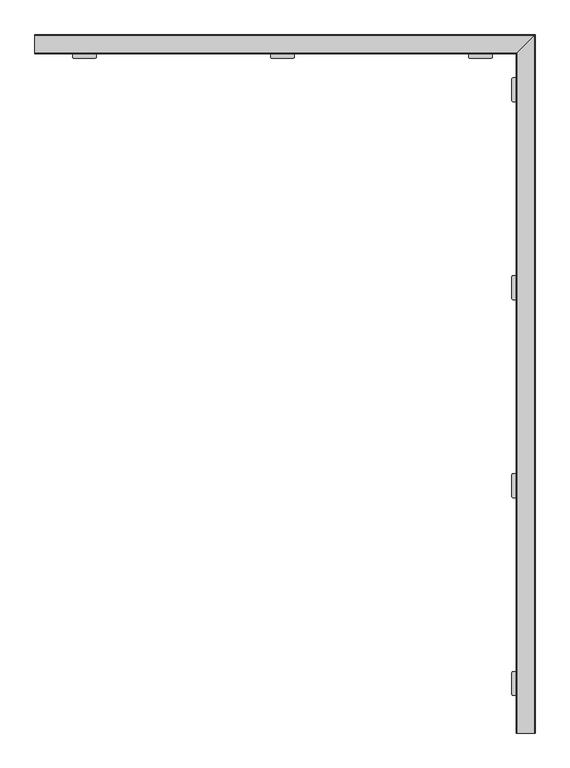
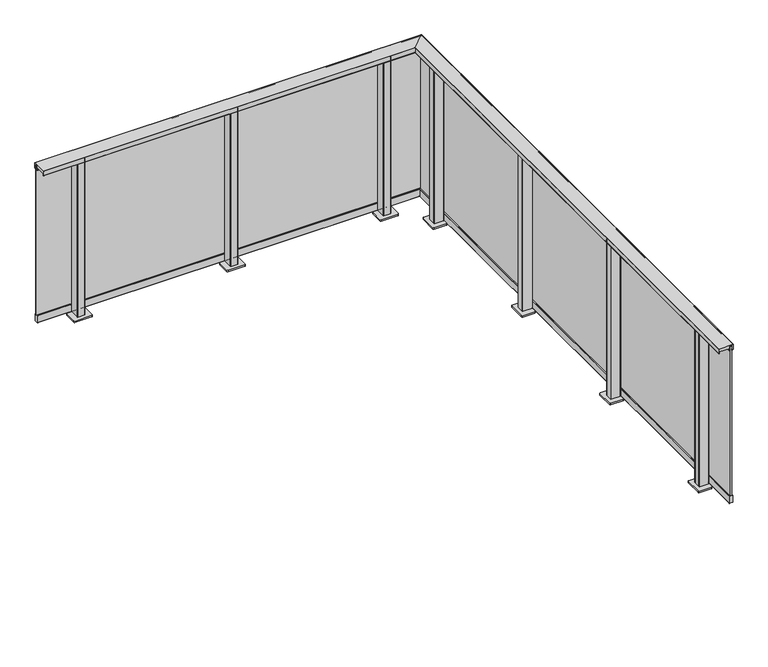
"""IFC4 building model written with IfcOpenShell, lengths in millimetres: railing geometry."""

from ifc_helpers import new_model, si_unit, point, frame, frame_2d, origin, origin_with_axes, place, context, project, spatial, polyline, circle_curve, ellipse_curve, trimmed, segment, composite_curve, outline, extrude, faceted_brep, source, transform, mapped, element, save
from ifc_brep_helpers import plane_surface, cylinder_surface, revolved_surface, advanced_brep


def railing_72ed6567(model_context):
    return source(origin(), model_context, "Body", "SolidModel", [
        advanced_brep(
        [(19323.9819967, -14629.5008183, 1100.0), (19323.4819967, -14629.5008183, 1099.5), (19323.4819967, -14629.5008183, 1068.5), (19323.9819967, -14629.5008183, 1068.0), (19325.4819967, -14629.5008183, 1068.0), (19325.4819967, -14629.5008183, 1081.0), (19391.4819967, -14629.5008183, 1081.0), (19391.4819967, -14629.5008183, 1068.0), (19394.2819967, -14629.5008183, 1068.0), (19394.2819967, -14629.5008183, 1069.2), (19393.4819967, -14629.5008183, 1069.2), (19393.4819967, -14629.5008183, 1097.5), (19393.9819967, -14629.5008183, 1098.0), (19412.9819967, -14629.5008183, 1098.0), (19413.4819967, -14629.5008183, 1097.5), (19413.4819967, -14629.5008183, 1069.2), (19412.6819967, -14629.5008183, 1069.2), (19412.6819967, -14629.5008183, 1068.0), (19416.9819967, -14629.5008183, 1068.0), (19417.4819967, -14629.5008183, 1068.5), (19417.4819967, -14629.5008183, 1099.5), (19416.9819967, -14629.5008183, 1100.0), (19323.9819967, -11196.5008183, 1100.0), (19323.4819967, -11197.0008183, 1099.5), (19323.4819967, -11197.0008183, 1068.5), (19323.9819967, -11196.5008183, 1068.0), (19325.4819967, -11195.0008183, 1068.0), (19325.4819967, -11195.0008183, 1081.0), (19391.4819967, -11129.0008183, 1081.0), (19391.4819967, -11129.0008183, 1068.0), (19394.2819967, -11126.2008183, 1068.0), (19394.2819967, -11126.2008183, 1069.2), (19393.4819967, -11127.0008183, 1069.2), (19393.4819967, -11127.0008183, 1097.5), (19393.9819967, -11126.5008183, 1098.0), (19412.9819967, -11107.5008183, 1098.0), (19413.4819967, -11107.0008183, 1097.5), (19413.4819967, -11107.0008183, 1069.2), (19412.6819967, -11107.8008183, 1069.2), (19412.6819967, -11107.8008183, 1068.0), (19416.9819967, -11103.5008183, 1068.0), (19417.4819967, -11103.0008183, 1068.5), (19417.4819967, -11103.0008183, 1099.5), (19416.9819967, -11103.5008183, 1100.0), (16890.9819967, -11196.5008183, 1100.0), (16890.9819967, -11103.5008183, 1100.0), (16890.9819967, -11103.0008183, 1099.5), (16890.9819967, -11103.0008183, 1068.5), (16890.9819967, -11103.5008183, 1068.0), (16890.9819967, -11107.8008183, 1068.0), (16890.9819967, -11107.8008183, 1069.2), (16890.9819967, -11107.0008183, 1069.2), (16890.9819967, -11107.0008183, 1097.5), (16890.9819967, -11107.5008183, 1098.0), (16890.9819967, -11126.5008183, 1098.0), (16890.9819967, -11127.0008183, 1097.5), (16890.9819967, -11127.0008183, 1069.2), (16890.9819967, -11126.2008183, 1069.2), (16890.9819967, -11126.2008183, 1068.0), (16890.9819967, -11129.0008183, 1068.0), (16890.9819967, -11129.0008183, 1081.0), (16890.9819967, -11195.0008183, 1081.0), (16890.9819967, -11195.0008183, 1068.0), (16890.9819967, -11196.5008183, 1068.0), (16890.9819967, -11197.0008183, 1068.5), (16890.9819967, -11197.0008183, 1099.5)],
        [
            (0, 1, circle_curve(frame((19323.9819967, -14629.5008183, 1099.5), z_axis=(0.0, -1.0, 0.0), x_axis=(1.0, 0.0, 0.0)), 0.5)),
            (1, 2),
            (2, 3, circle_curve(frame((19323.9819967, -14629.5008183, 1068.5), z_axis=(0.0, -1.0, 0.0), x_axis=(1.0, 0.0, 0.0)), 0.5)),
            (3, 4),
            (4, 5),
            (5, 6),
            (6, 7),
            (7, 8),
            (8, 9),
            (9, 10),
            (10, 11),
            (11, 12, circle_curve(frame((19393.9819967, -14629.5008183, 1097.5), z_axis=(0.0, 1.0, 0.0), x_axis=(1.0, 0.0, 0.0)), 0.5)),
            (12, 13),
            (13, 14, circle_curve(frame((19412.9819967, -14629.5008183, 1097.5), z_axis=(0.0, 1.0, 0.0), x_axis=(1.0, 0.0, 0.0)), 0.5)),
            (14, 15),
            (15, 16),
            (16, 17),
            (17, 18),
            (18, 19, circle_curve(frame((19416.9819967, -14629.5008183, 1068.5), z_axis=(0.0, -1.0, 0.0), x_axis=(1.0, 0.0, 0.0)), 0.5)),
            (19, 20),
            (20, 21, circle_curve(frame((19416.9819967, -14629.5008183, 1099.5), z_axis=(0.0, -1.0, 0.0), x_axis=(1.0, 0.0, 0.0)), 0.5)),
            (21, 0),
            (0, 22),
            (22, 23, ellipse_curve(frame((19323.9819967, -11196.5008183, 1099.5), z_axis=(0.7071067811865467, -0.7071067811865482, 0.0), x_axis=(-0.7071067811865482, -0.7071067811865469, 0.0)), 0.7071068, 0.5)),
            (23, 1),
            (23, 24),
            (24, 2),
            (24, 25, ellipse_curve(frame((19323.9819967, -11196.5008183, 1068.5), z_axis=(0.7071067811865467, -0.7071067811865482, 0.0), x_axis=(-0.7071067811865482, -0.7071067811865469, 0.0)), 0.7071068, 0.5)),
            (25, 3),
            (25, 26),
            (26, 4),
            (26, 27),
            (27, 5),
            (27, 28),
            (28, 6),
            (28, 29),
            (29, 7),
            (29, 30),
            (30, 8),
            (30, 31),
            (31, 9),
            (31, 32),
            (32, 10),
            (32, 33),
            (33, 11),
            (33, 34, ellipse_curve(frame((19393.9819967, -11126.5008183, 1097.5), z_axis=(-0.7071067811865467, 0.7071067811865482, 0.0), x_axis=(0.7071067811865482, 0.7071067811865469, 0.0)), 0.7071068, 0.5)),
            (34, 12),
            (34, 35),
            (35, 13),
            (35, 36, ellipse_curve(frame((19412.9819967, -11107.5008183, 1097.5), z_axis=(-0.7071067811865467, 0.7071067811865482, 0.0), x_axis=(0.7071067811865482, 0.7071067811865469, 0.0)), 0.7071068, 0.5)),
            (36, 14),
            (36, 37),
            (37, 15),
            (37, 38),
            (38, 16),
            (38, 39),
            (39, 17),
            (39, 40),
            (40, 18),
            (40, 41, ellipse_curve(frame((19416.9819967, -11103.5008183, 1068.5), z_axis=(0.7071067811865467, -0.7071067811865482, 0.0), x_axis=(-0.7071067811865482, -0.7071067811865469, 0.0)), 0.7071068, 0.5)),
            (41, 19),
            (41, 42),
            (42, 20),
            (42, 43, ellipse_curve(frame((19416.9819967, -11103.5008183, 1099.5), z_axis=(0.7071067811865467, -0.7071067811865482, 0.0), x_axis=(-0.7071067811865482, -0.7071067811865469, 0.0)), 0.7071068, 0.5)),
            (43, 21),
            (43, 22),
            (44, 45),
            (45, 46, circle_curve(frame((16890.9819967, -11103.5008183, 1099.5), z_axis=(-1.0, 0.0, 0.0), x_axis=(0.0, 1.0, 0.0)), 0.5)),
            (46, 47),
            (47, 48, circle_curve(frame((16890.9819967, -11103.5008183, 1068.5), z_axis=(-1.0, 0.0, 0.0), x_axis=(0.0, 1.0, 0.0)), 0.5)),
            (48, 49),
            (49, 50),
            (50, 51),
            (51, 52),
            (52, 53, circle_curve(frame((16890.9819967, -11107.5008183, 1097.5), z_axis=(1.0, 0.0, 0.0), x_axis=(0.0, 1.0, 0.0)), 0.5)),
            (53, 54),
            (54, 55, circle_curve(frame((16890.9819967, -11126.5008183, 1097.5), z_axis=(1.0, 0.0, 0.0), x_axis=(0.0, 1.0, 0.0)), 0.5)),
            (55, 56),
            (56, 57),
            (57, 58),
            (58, 59),
            (59, 60),
            (60, 61),
            (61, 62),
            (62, 63),
            (63, 64, circle_curve(frame((16890.9819967, -11196.5008183, 1068.5), z_axis=(-1.0, 0.0, 0.0), x_axis=(0.0, 1.0, 0.0)), 0.5)),
            (64, 65),
            (65, 44, circle_curve(frame((16890.9819967, -11196.5008183, 1099.5), z_axis=(-1.0, 0.0, 0.0), x_axis=(0.0, 1.0, 0.0)), 0.5)),
            (22, 44),
            (65, 23),
            (64, 24),
            (63, 25),
            (62, 26),
            (61, 27),
            (60, 28),
            (59, 29),
            (58, 30),
            (57, 31),
            (56, 32),
            (55, 33),
            (54, 34),
            (53, 35),
            (52, 36),
            (51, 37),
            (50, 38),
            (49, 39),
            (48, 40),
            (47, 41),
            (46, 42),
            (45, 43),
        ],
        [
            plane_surface(frame((19358.4819967, -14629.5008183, 1100.0), z_axis=(0.0, -1.0, 0.0), x_axis=(0.0, 0.0, 1.0))),
            cylinder_surface(frame((19323.9819967, -14629.5008183, 1099.5), z_axis=(0.0, -1.0, 0.0), x_axis=(1.0, 0.0, 0.0)), 0.5),
            plane_surface(frame((19323.4819967, -14629.5008183, 1099.5), z_axis=(-1.0, 0.0, 0.0), x_axis=(0.0, 1.0, 0.0))),
            cylinder_surface(frame((19323.9819967, -14629.5008183, 1068.5), z_axis=(0.0, -1.0, 0.0), x_axis=(1.0, 0.0, 0.0)), 0.5),
            plane_surface(frame((19323.9819967, -14629.5008183, 1068.0), z_axis=(0.0, 0.0, -1.0), x_axis=(0.0, 1.0, 0.0))),
            plane_surface(frame((19325.4819967, -14629.5008183, 1068.0), z_axis=(1.0, 0.0, 0.0), x_axis=(0.0, 1.0, 0.0))),
            plane_surface(frame((19325.4819967, -14629.5008183, 1081.0), z_axis=(0.0, 0.0, -1.0), x_axis=(0.0, 1.0, 0.0))),
            plane_surface(frame((19391.4819967, -14629.5008183, 1081.0), z_axis=(-1.0, 0.0, 0.0), x_axis=(0.0, 1.0, 0.0))),
            plane_surface(frame((19391.4819967, -14629.5008183, 1068.0), z_axis=(0.0, 0.0, -1.0), x_axis=(0.0, 1.0, 0.0))),
            plane_surface(frame((19394.2819967, -14629.5008183, 1068.0), z_axis=(1.0, 0.0, 0.0), x_axis=(0.0, 1.0, 0.0))),
            plane_surface(frame((19394.2819967, -14629.5008183, 1069.2), z_axis=(0.0, 0.0, 1.0), x_axis=(0.0, 1.0, 0.0))),
            plane_surface(frame((19393.4819967, -14629.5008183, 1069.2), z_axis=(1.0, 0.0, 0.0), x_axis=(0.0, 1.0, 0.0))),
            revolved_surface(polyline([(19394.4819967, -11126.000818286699, 1097.5), (19394.4819967, -14629.5008183, 1097.5)]), (19393.9819967, -14629.5008183, 1097.5), (0.0, 1.0, 0.0)),
            plane_surface(frame((19393.9819967, -14629.5008183, 1098.0), z_axis=(0.0, 0.0, -1.0), x_axis=(0.0, 1.0, 0.0))),
            revolved_surface(polyline([(19413.4819967, -11107.000818286699, 1097.5), (19413.4819967, -14629.5008183, 1097.5)]), (19412.9819967, -14629.5008183, 1097.5), (0.0, 1.0, 0.0)),
            plane_surface(frame((19413.4819967, -14629.5008183, 1097.5), z_axis=(-1.0, 0.0, 0.0), x_axis=(0.0, 1.0, 0.0))),
            plane_surface(frame((19413.4819967, -14629.5008183, 1069.2), z_axis=(0.0, 0.0, 1.0), x_axis=(0.0, 1.0, 0.0))),
            plane_surface(frame((19412.6819967, -14629.5008183, 1069.2), z_axis=(-1.0, 0.0, 0.0), x_axis=(0.0, 1.0, 0.0))),
            plane_surface(frame((19412.6819967, -14629.5008183, 1068.0), z_axis=(0.0, 0.0, -1.0), x_axis=(0.0, 1.0, 0.0))),
            cylinder_surface(frame((19416.9819967, -14629.5008183, 1068.5), z_axis=(0.0, -1.0, 0.0), x_axis=(1.0, 0.0, 0.0)), 0.5),
            plane_surface(frame((19417.4819967, -14629.5008183, 1068.5), z_axis=(1.0, 0.0, 0.0), x_axis=(0.0, 1.0, 0.0))),
            cylinder_surface(frame((19416.9819967, -14629.5008183, 1099.5), z_axis=(0.0, -1.0, 0.0), x_axis=(1.0, 0.0, 0.0)), 0.5),
            plane_surface(frame((19416.9819967, -14629.5008183, 1100.0), z_axis=(0.0, 0.0, 1.0), x_axis=(0.0, 1.0, 0.0))),
            plane_surface(frame((16890.9819967, -11162.0008183, 1100.0), z_axis=(-1.0, 0.0, 0.0), x_axis=(0.0, -1.0, 0.0))),
            cylinder_surface(frame((19358.4819967, -11196.5008183, 1099.5), z_axis=(1.0, 0.0, 0.0), x_axis=(0.0, 1.0, 0.0)), 0.5),
            plane_surface(frame((19323.4819967, -11197.0008183, 1099.5), z_axis=(0.0, -1.0, 0.0), x_axis=(-1.0, 0.0, 0.0))),
            cylinder_surface(frame((19358.4819967, -11196.5008183, 1068.5), z_axis=(1.0, 0.0, 0.0), x_axis=(0.0, 1.0, 0.0)), 0.5),
            plane_surface(frame((19323.9819967, -11196.5008183, 1068.0), z_axis=(0.0, 0.0, -1.0), x_axis=(-1.0, 0.0, 0.0))),
            plane_surface(frame((19325.4819967, -11195.0008183, 1068.0), z_axis=(0.0, 1.0, 0.0), x_axis=(-1.0, 0.0, 0.0))),
            plane_surface(frame((19325.4819967, -11195.0008183, 1081.0), z_axis=(0.0, 0.0, -1.0), x_axis=(-1.0, 0.0, 0.0))),
            plane_surface(frame((19391.4819967, -11129.0008183, 1081.0), z_axis=(0.0, -1.0, 0.0), x_axis=(-1.0, 0.0, 0.0))),
            plane_surface(frame((19391.4819967, -11129.0008183, 1068.0), z_axis=(0.0, 0.0, -1.0), x_axis=(-1.0, 0.0, 0.0))),
            plane_surface(frame((19394.2819967, -11126.2008183, 1068.0), z_axis=(0.0, 1.0, 0.0), x_axis=(-1.0, 0.0, 0.0))),
            plane_surface(frame((19394.2819967, -11126.2008183, 1069.2), z_axis=(0.0, 0.0, 1.0), x_axis=(-1.0, 0.0, 0.0))),
            plane_surface(frame((19393.4819967, -11127.0008183, 1069.2), z_axis=(0.0, 1.0, 0.0), x_axis=(-1.0, 0.0, 0.0))),
            revolved_surface(polyline([(16890.9819967, -11126.0008183, 1097.5), (19394.481996713304, -11126.0008183, 1097.5)]), (19358.4819967, -11126.5008183, 1097.5), (-1.0, 0.0, 0.0)),
            plane_surface(frame((19393.9819967, -11126.5008183, 1098.0), z_axis=(0.0, 0.0, -1.0), x_axis=(-1.0, 0.0, 0.0))),
            revolved_surface(polyline([(16890.9819967, -11107.0008183, 1097.5), (19413.481996713304, -11107.0008183, 1097.5)]), (19358.4819967, -11107.5008183, 1097.5), (-1.0, 0.0, 0.0)),
            plane_surface(frame((19413.4819967, -11107.0008183, 1097.5), z_axis=(0.0, -1.0, 0.0), x_axis=(-1.0, 0.0, 0.0))),
            plane_surface(frame((19413.4819967, -11107.0008183, 1069.2), z_axis=(0.0, 0.0, 1.0), x_axis=(-1.0, 0.0, 0.0))),
            plane_surface(frame((19412.6819967, -11107.8008183, 1069.2), z_axis=(0.0, -1.0, 0.0), x_axis=(-1.0, 0.0, 0.0))),
            plane_surface(frame((19412.6819967, -11107.8008183, 1068.0), z_axis=(0.0, 0.0, -1.0), x_axis=(-1.0, 0.0, 0.0))),
            cylinder_surface(frame((19358.4819967, -11103.5008183, 1068.5), z_axis=(1.0, 0.0, 0.0), x_axis=(0.0, 1.0, 0.0)), 0.5),
            plane_surface(frame((19417.4819967, -11103.0008183, 1068.5), z_axis=(0.0, 1.0, 0.0), x_axis=(-1.0, 0.0, 0.0))),
            cylinder_surface(frame((19358.4819967, -11103.5008183, 1099.5), z_axis=(1.0, 0.0, 0.0), x_axis=(0.0, 1.0, 0.0)), 0.5),
            plane_surface(frame((19416.9819967, -11103.5008183, 1100.0), z_axis=(0.0, 0.0, 1.0), x_axis=(-1.0, 0.0, 0.0))),
        ],
        [
            (0, [[1, 2, 3, 4, 5, 6, 7, 8, 9, 10, 11, 12, 13, 14, 15, 16, 17, 18, 19, 20, 21, 22]]),
            (1, [[-1, 23, 24, 25]]),
            (2, [[-2, -25, 26, 27]]),
            (3, [[-3, -27, 28, 29]]),
            (4, [[-4, -29, 30, 31]]),
            (5, [[-5, -31, 32, 33]]),
            (6, [[-6, -33, 34, 35]]),
            (7, [[-7, -35, 36, 37]]),
            (8, [[-8, -37, 38, 39]]),
            (9, [[-9, -39, 40, 41]]),
            (10, [[-10, -41, 42, 43]]),
            (11, [[-11, -43, 44, 45]]),
            (12, [[-12, -45, 46, 47]]),
            (13, [[-13, -47, 48, 49]]),
            (14, [[-14, -49, 50, 51]]),
            (15, [[-15, -51, 52, 53]]),
            (16, [[-16, -53, 54, 55]]),
            (17, [[-17, -55, 56, 57]]),
            (18, [[-18, -57, 58, 59]]),
            (19, [[-19, -59, 60, 61]]),
            (20, [[-20, -61, 62, 63]]),
            (21, [[-21, -63, 64, 65]]),
            (22, [[-22, -65, 66, -23]]),
            (23, [[67, 68, 69, 70, 71, 72, 73, 74, 75, 76, 77, 78, 79, 80, 81, 82, 83, 84, 85, 86, 87, 88]]),
            (24, [[-24, 89, -88, 90]]),
            (25, [[-26, -90, -87, 91]]),
            (26, [[-28, -91, -86, 92]]),
            (27, [[-30, -92, -85, 93]]),
            (28, [[-32, -93, -84, 94]]),
            (29, [[-34, -94, -83, 95]]),
            (30, [[-36, -95, -82, 96]]),
            (31, [[-38, -96, -81, 97]]),
            (32, [[-40, -97, -80, 98]]),
            (33, [[-42, -98, -79, 99]]),
            (34, [[-44, -99, -78, 100]]),
            (35, [[-46, -100, -77, 101]]),
            (36, [[-48, -101, -76, 102]]),
            (37, [[-50, -102, -75, 103]]),
            (38, [[-52, -103, -74, 104]]),
            (39, [[-54, -104, -73, 105]]),
            (40, [[-56, -105, -72, 106]]),
            (41, [[-58, -106, -71, 107]]),
            (42, [[-60, -107, -70, 108]]),
            (43, [[-62, -108, -69, 109]]),
            (44, [[-64, -109, -68, 110]]),
            (45, [[-66, -110, -67, -89]]),
        ],
    ),
        faceted_brep([(19407.4819967, -14629.5008183, 1090.0), (19399.4819967, -14629.5008183, 1090.0), (19399.4819967, -14629.5008183, 60.0), (19407.4819967, -14629.5008183, 60.0), (19407.4819967, -11113.0008183, 1090.0), (19399.4819967, -11121.0008183, 1090.0), (19399.4819967, -11121.0008183, 60.0), (19407.4819967, -11113.0008183, 60.0), (16890.9819967, -11113.0008183, 1090.0), (16890.9819967, -11113.0008183, 60.0), (16890.9819967, -11121.0008183, 60.0), (16890.9819967, -11121.0008183, 1090.0)], [[[0, 1, 2, 3]], [[1, 0, 4, 5]], [[2, 1, 5, 6]], [[3, 2, 6, 7]], [[0, 3, 7, 4]], [[8, 9, 10, 11]], [[5, 4, 8, 11]], [[6, 5, 11, 10]], [[7, 6, 10, 9]], [[4, 7, 9, 8]]]),
        faceted_brep([(19394.1692541, -14629.5008183, 1065.2160621), (19393.1441664, -14629.5008183, 1065.2160621), (19393.1441664, -14629.5008183, 1063.6627783), (19399.4819967, -14629.5008183, 1061.8454347), (19399.4819967, -14629.5008183, 1072.0), (19394.1692541, -14629.5008183, 1074.1464874), (19394.1692541, -11126.313561, 1065.2160621), (19393.1441664, -11127.3386487, 1065.2160621), (19393.1441664, -11127.3386487, 1063.6627783), (19399.4819967, -11121.0008183, 1061.8454347), (19399.4819967, -11121.0008183, 1072.0), (19394.1692541, -11126.313561, 1074.1464874), (16890.9819967, -11126.313561, 1065.2160621), (16890.9819967, -11126.313561, 1074.1464874), (16890.9819967, -11121.0008183, 1072.0), (16890.9819967, -11121.0008183, 1061.8454347), (16890.9819967, -11127.3386487, 1063.6627783), (16890.9819967, -11127.3386487, 1065.2160621)], [[[0, 1, 2, 3, 4, 5]], [[1, 0, 6, 7]], [[2, 1, 7, 8]], [[3, 2, 8, 9]], [[4, 3, 9, 10]], [[5, 4, 10, 11]], [[0, 5, 11, 6]], [[12, 13, 14, 15, 16, 17]], [[7, 6, 12, 17]], [[8, 7, 17, 16]], [[9, 8, 16, 15]], [[10, 9, 15, 14]], [[11, 10, 14, 13]], [[6, 11, 13, 12]]]),
        faceted_brep([(19412.7947394, -14629.5008183, 1065.2160621), (19412.7947394, -14629.5008183, 1074.1464874), (19407.4819967, -14629.5008183, 1072.0), (19407.4819967, -14629.5008183, 1061.8454347), (19413.8198271, -14629.5008183, 1063.6627783), (19413.8198271, -14629.5008183, 1065.2160621), (19412.7947394, -11107.6880757, 1065.2160621), (19412.7947394, -11107.6880757, 1074.1464874), (19407.4819967, -11113.0008183, 1072.0), (19407.4819967, -11113.0008183, 1061.8454347), (19413.8198271, -11106.662988, 1063.6627783), (19413.8198271, -11106.662988, 1065.2160621), (16890.9819967, -11107.6880757, 1065.2160621), (16890.9819967, -11106.662988, 1065.2160621), (16890.9819967, -11106.662988, 1063.6627783), (16890.9819967, -11113.0008183, 1061.8454347), (16890.9819967, -11113.0008183, 1072.0), (16890.9819967, -11107.6880757, 1074.1464874)], [[[0, 1, 2, 3, 4, 5]], [[1, 0, 6, 7]], [[2, 1, 7, 8]], [[3, 2, 8, 9]], [[4, 3, 9, 10]], [[5, 4, 10, 11]], [[0, 5, 11, 6]], [[12, 13, 14, 15, 16, 17]], [[7, 6, 12, 17]], [[8, 7, 17, 16]], [[9, 8, 16, 15]], [[10, 9, 15, 14]], [[11, 10, 14, 13]], [[6, 11, 13, 12]]]),
        advanced_brep(
        [(19414.9819967, -14629.5008183, 10.0), (19415.4819967, -14629.5008183, 10.5), (19415.4819967, -14629.5008183, 59.5), (19414.9819967, -14629.5008183, 60.0), (19391.9819967, -14629.5008183, 60.0), (19391.4819967, -14629.5008183, 59.5), (19391.4819967, -14629.5008183, 10.5), (19391.9819967, -14629.5008183, 10.0), (19414.9819967, -11105.5008183, 10.0), (19415.4819967, -11105.0008183, 10.5), (19415.4819967, -11105.0008183, 59.5), (19414.9819967, -11105.5008183, 60.0), (19391.9819967, -11128.5008183, 60.0), (19391.4819967, -11129.0008183, 59.5), (19391.4819967, -11129.0008183, 10.5), (19391.9819967, -11128.5008183, 10.0), (16890.9819967, -11105.5008183, 10.0), (16890.9819967, -11128.5008183, 10.0), (16890.9819967, -11129.0008183, 10.5), (16890.9819967, -11129.0008183, 59.5), (16890.9819967, -11128.5008183, 60.0), (16890.9819967, -11105.5008183, 60.0), (16890.9819967, -11105.0008183, 59.5), (16890.9819967, -11105.0008183, 10.5)],
        [
            (0, 1, circle_curve(frame((19414.9819967, -14629.5008183, 10.5), z_axis=(0.0, -1.0, 0.0), x_axis=(1.0, 0.0, 0.0)), 0.5)),
            (1, 2),
            (2, 3, circle_curve(frame((19414.9819967, -14629.5008183, 59.5), z_axis=(0.0, -1.0, 0.0), x_axis=(1.0, 0.0, 0.0)), 0.5)),
            (3, 4),
            (4, 5, circle_curve(frame((19391.9819967, -14629.5008183, 59.5), z_axis=(0.0, -1.0, 0.0), x_axis=(1.0, 0.0, 0.0)), 0.5)),
            (5, 6),
            (6, 7, circle_curve(frame((19391.9819967, -14629.5008183, 10.5), z_axis=(0.0, -1.0, 0.0), x_axis=(1.0, 0.0, 0.0)), 0.5)),
            (7, 0),
            (0, 8),
            (8, 9, ellipse_curve(frame((19414.9819967, -11105.5008183, 10.5), z_axis=(0.7071067811865467, -0.7071067811865482, 0.0), x_axis=(-0.7071067811865482, -0.7071067811865469, 0.0)), 0.7071068, 0.5)),
            (9, 1),
            (9, 10),
            (10, 2),
            (10, 11, ellipse_curve(frame((19414.9819967, -11105.5008183, 59.5), z_axis=(0.7071067811865467, -0.7071067811865482, 0.0), x_axis=(-0.7071067811865482, -0.7071067811865469, 0.0)), 0.7071068, 0.5)),
            (11, 3),
            (11, 12),
            (12, 4),
            (12, 13, ellipse_curve(frame((19391.9819967, -11128.5008183, 59.5), z_axis=(0.7071067811865467, -0.7071067811865482, 0.0), x_axis=(-0.7071067811865482, -0.7071067811865469, 0.0)), 0.7071068, 0.5)),
            (13, 5),
            (13, 14),
            (14, 6),
            (14, 15, ellipse_curve(frame((19391.9819967, -11128.5008183, 10.5), z_axis=(0.7071067811865467, -0.7071067811865482, 0.0), x_axis=(-0.7071067811865482, -0.7071067811865469, 0.0)), 0.7071068, 0.5)),
            (15, 7),
            (15, 8),
            (16, 17),
            (17, 18, circle_curve(frame((16890.9819967, -11128.5008183, 10.5), z_axis=(-1.0, 0.0, 0.0), x_axis=(0.0, 1.0, 0.0)), 0.5)),
            (18, 19),
            (19, 20, circle_curve(frame((16890.9819967, -11128.5008183, 59.5), z_axis=(-1.0, 0.0, 0.0), x_axis=(0.0, 1.0, 0.0)), 0.5)),
            (20, 21),
            (21, 22, circle_curve(frame((16890.9819967, -11105.5008183, 59.5), z_axis=(-1.0, 0.0, 0.0), x_axis=(0.0, 1.0, 0.0)), 0.5)),
            (22, 23),
            (23, 16, circle_curve(frame((16890.9819967, -11105.5008183, 10.5), z_axis=(-1.0, 0.0, 0.0), x_axis=(0.0, 1.0, 0.0)), 0.5)),
            (8, 16),
            (23, 9),
            (22, 10),
            (21, 11),
            (20, 12),
            (19, 13),
            (18, 14),
            (17, 15),
        ],
        [
            plane_surface(frame((19403.4819967, -14629.5008183, 10.0), z_axis=(0.0, -1.0, 0.0), x_axis=(0.0, 0.0, 1.0))),
            cylinder_surface(frame((19414.9819967, -14629.5008183, 10.5), z_axis=(0.0, -1.0, 0.0), x_axis=(1.0, 0.0, 0.0)), 0.5),
            plane_surface(frame((19415.4819967, -14629.5008183, 10.5), z_axis=(1.0, 0.0, 0.0), x_axis=(0.0, 1.0, 0.0))),
            cylinder_surface(frame((19414.9819967, -14629.5008183, 59.5), z_axis=(0.0, -1.0, 0.0), x_axis=(1.0, 0.0, 0.0)), 0.5),
            plane_surface(frame((19414.9819967, -14629.5008183, 60.0), z_axis=(0.0, 0.0, 1.0), x_axis=(0.0, 1.0, 0.0))),
            cylinder_surface(frame((19391.9819967, -14629.5008183, 59.5), z_axis=(0.0, -1.0, 0.0), x_axis=(1.0, 0.0, 0.0)), 0.5),
            plane_surface(frame((19391.4819967, -14629.5008183, 59.5), z_axis=(-1.0, 0.0, 0.0), x_axis=(0.0, 1.0, 0.0))),
            cylinder_surface(frame((19391.9819967, -14629.5008183, 10.5), z_axis=(0.0, -1.0, 0.0), x_axis=(1.0, 0.0, 0.0)), 0.5),
            plane_surface(frame((19391.9819967, -14629.5008183, 10.0), z_axis=(0.0, 0.0, -1.0), x_axis=(0.0, 1.0, 0.0))),
            plane_surface(frame((16890.9819967, -11117.0008183, 10.0), z_axis=(-1.0, 0.0, 0.0), x_axis=(0.0, -1.0, 0.0))),
            cylinder_surface(frame((19403.4819967, -11105.5008183, 10.5), z_axis=(1.0, 0.0, 0.0), x_axis=(0.0, 1.0, 0.0)), 0.5),
            plane_surface(frame((19415.4819967, -11105.0008183, 10.5), z_axis=(0.0, 1.0, 0.0), x_axis=(-1.0, 0.0, 0.0))),
            cylinder_surface(frame((19403.4819967, -11105.5008183, 59.5), z_axis=(1.0, 0.0, 0.0), x_axis=(0.0, 1.0, 0.0)), 0.5),
            plane_surface(frame((19414.9819967, -11105.5008183, 60.0), z_axis=(0.0, 0.0, 1.0), x_axis=(-1.0, 0.0, 0.0))),
            cylinder_surface(frame((19403.4819967, -11128.5008183, 59.5), z_axis=(1.0, 0.0, 0.0), x_axis=(0.0, 1.0, 0.0)), 0.5),
            plane_surface(frame((19391.4819967, -11129.0008183, 59.5), z_axis=(0.0, -1.0, 0.0), x_axis=(-1.0, 0.0, 0.0))),
            cylinder_surface(frame((19403.4819967, -11128.5008183, 10.5), z_axis=(1.0, 0.0, 0.0), x_axis=(0.0, 1.0, 0.0)), 0.5),
            plane_surface(frame((19391.9819967, -11128.5008183, 10.0), z_axis=(0.0, 0.0, -1.0), x_axis=(-1.0, 0.0, 0.0))),
        ],
        [
            (0, [[1, 2, 3, 4, 5, 6, 7, 8]]),
            (1, [[-1, 9, 10, 11]]),
            (2, [[-2, -11, 12, 13]]),
            (3, [[-3, -13, 14, 15]]),
            (4, [[-4, -15, 16, 17]]),
            (5, [[-5, -17, 18, 19]]),
            (6, [[-6, -19, 20, 21]]),
            (7, [[-7, -21, 22, 23]]),
            (8, [[-8, -23, 24, -9]]),
            (9, [[25, 26, 27, 28, 29, 30, 31, 32]]),
            (10, [[-10, 33, -32, 34]]),
            (11, [[-12, -34, -31, 35]]),
            (12, [[-14, -35, -30, 36]]),
            (13, [[-16, -36, -29, 37]]),
            (14, [[-18, -37, -28, 38]]),
            (15, [[-20, -38, -27, 39]]),
            (16, [[-22, -39, -26, 40]]),
            (17, [[-24, -40, -25, -33]]),
        ],
    ),
        extrude(outline(composite_curve([segment(trimmed(circle_curve(frame_2d((17163.5245384, -11192.0008183)), 2.5), [point((17166.0245384, -11192.0008183))], [point((17163.5245384, -11194.5008183))], False, "CARTESIAN"), True, "CONTINUOUS"), segment(polyline([(17163.5245384, -11194.5008183), (17118.5245384, -11194.5008183)]), True, "CONTINUOUS"), segment(trimmed(circle_curve(frame_2d((17118.5245384, -11192.0008183)), 2.5), [point((17118.5245384, -11194.5008183))], [point((17116.0245384, -11192.0008183))], False, "CARTESIAN"), True, "CONTINUOUS"), segment(polyline([(17116.0245384, -11192.0008183), (17116.0245384, -11132.0008183)]), True, "CONTINUOUS"), segment(trimmed(circle_curve(frame_2d((17118.5245384, -11132.0008183)), 2.5), [point((17116.0245384, -11132.0008183))], [point((17118.5245384, -11129.5008183))], False, "CARTESIAN"), True, "CONTINUOUS"), segment(polyline([(17118.5245384, -11129.5008183), (17163.5245384, -11129.5008183)]), True, "CONTINUOUS"), segment(trimmed(circle_curve(frame_2d((17163.5245384, -11132.0008183)), 2.5), [point((17163.5245384, -11129.5008183))], [point((17166.0245384, -11132.0008183))], False, "CARTESIAN"), True, "CONTINUOUS"), segment(polyline([(17166.0245384, -11132.0008183), (17166.0245384, -11192.0008183)]), True, "CONTINUOUS")], self_intersect=False)), frame((0.0, 0.0, 10.0), z_axis=(0.0, 0.0, 1.0), x_axis=(1.0, 0.0, 0.0)), (0.0, 0.0, 1.0), 1081.0),
        extrude(outline(composite_curve([segment(trimmed(circle_curve(frame_2d((17195.9819967, -11214.6061483)), 5.0), [point((17200.9819967, -11214.6061483))], [point((17195.9819967, -11219.6061483))], False, "CARTESIAN"), True, "CONTINUOUS"), segment(polyline([(17195.9819967, -11219.6061483), (17086.1755136, -11219.6061483)]), True, "CONTINUOUS"), segment(trimmed(circle_curve(frame_2d((17086.1755136, -11214.6061483)), 5.0), [point((17086.1755136, -11219.6061483))], [point((17081.1755136, -11214.6061483))], False, "CARTESIAN"), True, "CONTINUOUS"), segment(polyline([(17081.1755136, -11214.6061483), (17081.1755136, -11134.5008183)]), True, "CONTINUOUS"), segment(trimmed(circle_curve(frame_2d((17086.1755136, -11134.5008183)), 5.0), [point((17081.1755136, -11134.5008183))], [point((17086.1755136, -11129.5008183))], False, "CARTESIAN"), True, "CONTINUOUS"), segment(polyline([(17086.1755136, -11129.5008183), (17195.9819967, -11129.5008183)]), True, "CONTINUOUS"), segment(trimmed(circle_curve(frame_2d((17195.9819967, -11134.5008183)), 5.0), [point((17195.9819967, -11129.5008183))], [point((17200.9819967, -11134.5008183))], False, "CARTESIAN"), True, "CONTINUOUS"), segment(polyline([(17200.9819967, -11134.5008183), (17200.9819967, -11214.6061483)]), True, "CONTINUOUS")], self_intersect=False)), origin_with_axes(), (0.0, 0.0, 1.0), 10.0),
        extrude(outline(composite_curve([segment(trimmed(circle_curve(frame_2d((18163.5245384, -11192.0008183)), 2.5), [point((18166.0245384, -11192.0008183))], [point((18163.5245384, -11194.5008183))], False, "CARTESIAN"), True, "CONTINUOUS"), segment(polyline([(18163.5245384, -11194.5008183), (18118.5245384, -11194.5008183)]), True, "CONTINUOUS"), segment(trimmed(circle_curve(frame_2d((18118.5245384, -11192.0008183)), 2.5), [point((18118.5245384, -11194.5008183))], [point((18116.0245384, -11192.0008183))], False, "CARTESIAN"), True, "CONTINUOUS"), segment(polyline([(18116.0245384, -11192.0008183), (18116.0245384, -11132.0008183)]), True, "CONTINUOUS"), segment(trimmed(circle_curve(frame_2d((18118.5245384, -11132.0008183)), 2.5), [point((18116.0245384, -11132.0008183))], [point((18118.5245384, -11129.5008183))], False, "CARTESIAN"), True, "CONTINUOUS"), segment(polyline([(18118.5245384, -11129.5008183), (18163.5245384, -11129.5008183)]), True, "CONTINUOUS"), segment(trimmed(circle_curve(frame_2d((18163.5245384, -11132.0008183)), 2.5), [point((18163.5245384, -11129.5008183))], [point((18166.0245384, -11132.0008183))], False, "CARTESIAN"), True, "CONTINUOUS"), segment(polyline([(18166.0245384, -11132.0008183), (18166.0245384, -11192.0008183)]), True, "CONTINUOUS")], self_intersect=False)), frame((0.0, 0.0, 10.0), z_axis=(0.0, 0.0, 1.0), x_axis=(1.0, 0.0, 0.0)), (0.0, 0.0, 1.0), 1081.0),
        extrude(outline(composite_curve([segment(trimmed(circle_curve(frame_2d((18195.9819967, -11214.6061483)), 5.0), [point((18200.9819967, -11214.6061483))], [point((18195.9819967, -11219.6061483))], False, "CARTESIAN"), True, "CONTINUOUS"), segment(polyline([(18195.9819967, -11219.6061483), (18086.1755136, -11219.6061483)]), True, "CONTINUOUS"), segment(trimmed(circle_curve(frame_2d((18086.1755136, -11214.6061483)), 5.0), [point((18086.1755136, -11219.6061483))], [point((18081.1755136, -11214.6061483))], False, "CARTESIAN"), True, "CONTINUOUS"), segment(polyline([(18081.1755136, -11214.6061483), (18081.1755136, -11134.5008183)]), True, "CONTINUOUS"), segment(trimmed(circle_curve(frame_2d((18086.1755136, -11134.5008183)), 5.0), [point((18081.1755136, -11134.5008183))], [point((18086.1755136, -11129.5008183))], False, "CARTESIAN"), True, "CONTINUOUS"), segment(polyline([(18086.1755136, -11129.5008183), (18195.9819967, -11129.5008183)]), True, "CONTINUOUS"), segment(trimmed(circle_curve(frame_2d((18195.9819967, -11134.5008183)), 5.0), [point((18195.9819967, -11129.5008183))], [point((18200.9819967, -11134.5008183))], False, "CARTESIAN"), True, "CONTINUOUS"), segment(polyline([(18200.9819967, -11134.5008183), (18200.9819967, -11214.6061483)]), True, "CONTINUOUS")], self_intersect=False)), origin_with_axes(), (0.0, 0.0, 1.0), 10.0),
        extrude(outline(composite_curve([segment(trimmed(circle_curve(frame_2d((19163.5245384, -11192.0008183)), 2.5), [point((19166.0245384, -11192.0008183))], [point((19163.5245384, -11194.5008183))], False, "CARTESIAN"), True, "CONTINUOUS"), segment(polyline([(19163.5245384, -11194.5008183), (19118.5245384, -11194.5008183)]), True, "CONTINUOUS"), segment(trimmed(circle_curve(frame_2d((19118.5245384, -11192.0008183)), 2.5), [point((19118.5245384, -11194.5008183))], [point((19116.0245384, -11192.0008183))], False, "CARTESIAN"), True, "CONTINUOUS"), segment(polyline([(19116.0245384, -11192.0008183), (19116.0245384, -11132.0008183)]), True, "CONTINUOUS"), segment(trimmed(circle_curve(frame_2d((19118.5245384, -11132.0008183)), 2.5), [point((19116.0245384, -11132.0008183))], [point((19118.5245384, -11129.5008183))], False, "CARTESIAN"), True, "CONTINUOUS"), segment(polyline([(19118.5245384, -11129.5008183), (19163.5245384, -11129.5008183)]), True, "CONTINUOUS"), segment(trimmed(circle_curve(frame_2d((19163.5245384, -11132.0008183)), 2.5), [point((19163.5245384, -11129.5008183))], [point((19166.0245384, -11132.0008183))], False, "CARTESIAN"), True, "CONTINUOUS"), segment(polyline([(19166.0245384, -11132.0008183), (19166.0245384, -11192.0008183)]), True, "CONTINUOUS")], self_intersect=False)), frame((0.0, 0.0, 10.0), z_axis=(0.0, 0.0, 1.0), x_axis=(1.0, 0.0, 0.0)), (0.0, 0.0, 1.0), 1081.0),
        extrude(outline(composite_curve([segment(trimmed(circle_curve(frame_2d((19195.9819967, -11214.6061483)), 5.0), [point((19200.9819967, -11214.6061483))], [point((19195.9819967, -11219.6061483))], False, "CARTESIAN"), True, "CONTINUOUS"), segment(polyline([(19195.9819967, -11219.6061483), (19086.1755136, -11219.6061483)]), True, "CONTINUOUS"), segment(trimmed(circle_curve(frame_2d((19086.1755136, -11214.6061483)), 5.0), [point((19086.1755136, -11219.6061483))], [point((19081.1755136, -11214.6061483))], False, "CARTESIAN"), True, "CONTINUOUS"), segment(polyline([(19081.1755136, -11214.6061483), (19081.1755136, -11134.5008183)]), True, "CONTINUOUS"), segment(trimmed(circle_curve(frame_2d((19086.1755136, -11134.5008183)), 5.0), [point((19081.1755136, -11134.5008183))], [point((19086.1755136, -11129.5008183))], False, "CARTESIAN"), True, "CONTINUOUS"), segment(polyline([(19086.1755136, -11129.5008183), (19195.9819967, -11129.5008183)]), True, "CONTINUOUS"), segment(trimmed(circle_curve(frame_2d((19195.9819967, -11134.5008183)), 5.0), [point((19195.9819967, -11129.5008183))], [point((19200.9819967, -11134.5008183))], False, "CARTESIAN"), True, "CONTINUOUS"), segment(polyline([(19200.9819967, -11134.5008183), (19200.9819967, -11214.6061483)]), True, "CONTINUOUS")], self_intersect=False)), origin_with_axes(), (0.0, 0.0, 1.0), 10.0),
        extrude(outline(composite_curve([segment(trimmed(circle_curve(frame_2d((19328.4819967, -11402.04336)), 2.5), [point((19328.4819967, -11404.54336))], [point((19325.9819967, -11402.04336))], False, "CARTESIAN"), True, "CONTINUOUS"), segment(polyline([(19325.9819967, -11402.04336), (19325.9819967, -11357.04336)]), True, "CONTINUOUS"), segment(trimmed(circle_curve(frame_2d((19328.4819967, -11357.04336)), 2.5), [point((19325.9819967, -11357.04336))], [point((19328.4819967, -11354.54336))], False, "CARTESIAN"), True, "CONTINUOUS"), segment(polyline([(19328.4819967, -11354.54336), (19388.4819967, -11354.54336)]), True, "CONTINUOUS"), segment(trimmed(circle_curve(frame_2d((19388.4819967, -11357.04336)), 2.5), [point((19388.4819967, -11354.54336))], [point((19390.9819967, -11357.04336))], False, "CARTESIAN"), True, "CONTINUOUS"), segment(polyline([(19390.9819967, -11357.04336), (19390.9819967, -11402.04336)]), True, "CONTINUOUS"), segment(trimmed(circle_curve(frame_2d((19388.4819967, -11402.04336)), 2.5), [point((19390.9819967, -11402.04336))], [point((19388.4819967, -11404.54336))], False, "CARTESIAN"), True, "CONTINUOUS"), segment(polyline([(19388.4819967, -11404.54336), (19328.4819967, -11404.54336)]), True, "CONTINUOUS")], self_intersect=False)), frame((0.0, 0.0, 10.0), z_axis=(0.0, 0.0, 1.0), x_axis=(1.0, 0.0, 0.0)), (0.0, 0.0, 1.0), 1081.0),
        extrude(outline(composite_curve([segment(trimmed(circle_curve(frame_2d((19305.8766668, -11434.5008183)), 5.0), [point((19305.8766668, -11439.5008183))], [point((19300.8766668, -11434.5008183))], False, "CARTESIAN"), True, "CONTINUOUS"), segment(polyline([(19300.8766668, -11434.5008183), (19300.8766668, -11324.6943352)]), True, "CONTINUOUS"), segment(trimmed(circle_curve(frame_2d((19305.8766668, -11324.6943352)), 5.0), [point((19300.8766668, -11324.6943352))], [point((19305.8766668, -11319.6943352))], False, "CARTESIAN"), True, "CONTINUOUS"), segment(polyline([(19305.8766668, -11319.6943352), (19385.9819967, -11319.6943352)]), True, "CONTINUOUS"), segment(trimmed(circle_curve(frame_2d((19385.9819967, -11324.6943352)), 5.0), [point((19385.9819967, -11319.6943352))], [point((19390.9819967, -11324.6943352))], False, "CARTESIAN"), True, "CONTINUOUS"), segment(polyline([(19390.9819967, -11324.6943352), (19390.9819967, -11434.5008183)]), True, "CONTINUOUS"), segment(trimmed(circle_curve(frame_2d((19385.9819967, -11434.5008183)), 5.0), [point((19390.9819967, -11434.5008183))], [point((19385.9819967, -11439.5008183))], False, "CARTESIAN"), True, "CONTINUOUS"), segment(polyline([(19385.9819967, -11439.5008183), (19305.8766668, -11439.5008183)]), True, "CONTINUOUS")], self_intersect=False)), origin_with_axes(), (0.0, 0.0, 1.0), 10.0),
        extrude(outline(composite_curve([segment(trimmed(circle_curve(frame_2d((19328.4819967, -12402.04336)), 2.5), [point((19328.4819967, -12404.54336))], [point((19325.9819967, -12402.04336))], False, "CARTESIAN"), True, "CONTINUOUS"), segment(polyline([(19325.9819967, -12402.04336), (19325.9819967, -12357.04336)]), True, "CONTINUOUS"), segment(trimmed(circle_curve(frame_2d((19328.4819967, -12357.04336)), 2.5), [point((19325.9819967, -12357.04336))], [point((19328.4819967, -12354.54336))], False, "CARTESIAN"), True, "CONTINUOUS"), segment(polyline([(19328.4819967, -12354.54336), (19388.4819967, -12354.54336)]), True, "CONTINUOUS"), segment(trimmed(circle_curve(frame_2d((19388.4819967, -12357.04336)), 2.5), [point((19388.4819967, -12354.54336))], [point((19390.9819967, -12357.04336))], False, "CARTESIAN"), True, "CONTINUOUS"), segment(polyline([(19390.9819967, -12357.04336), (19390.9819967, -12402.04336)]), True, "CONTINUOUS"), segment(trimmed(circle_curve(frame_2d((19388.4819967, -12402.04336)), 2.5), [point((19390.9819967, -12402.04336))], [point((19388.4819967, -12404.54336))], False, "CARTESIAN"), True, "CONTINUOUS"), segment(polyline([(19388.4819967, -12404.54336), (19328.4819967, -12404.54336)]), True, "CONTINUOUS")], self_intersect=False)), frame((0.0, 0.0, 10.0), z_axis=(0.0, 0.0, 1.0), x_axis=(1.0, 0.0, 0.0)), (0.0, 0.0, 1.0), 1081.0),
        extrude(outline(composite_curve([segment(trimmed(circle_curve(frame_2d((19305.8766668, -12434.5008183)), 5.0), [point((19305.8766668, -12439.5008183))], [point((19300.8766668, -12434.5008183))], False, "CARTESIAN"), True, "CONTINUOUS"), segment(polyline([(19300.8766668, -12434.5008183), (19300.8766668, -12324.6943352)]), True, "CONTINUOUS"), segment(trimmed(circle_curve(frame_2d((19305.8766668, -12324.6943352)), 5.0), [point((19300.8766668, -12324.6943352))], [point((19305.8766668, -12319.6943352))], False, "CARTESIAN"), True, "CONTINUOUS"), segment(polyline([(19305.8766668, -12319.6943352), (19385.9819967, -12319.6943352)]), True, "CONTINUOUS"), segment(trimmed(circle_curve(frame_2d((19385.9819967, -12324.6943352)), 5.0), [point((19385.9819967, -12319.6943352))], [point((19390.9819967, -12324.6943352))], False, "CARTESIAN"), True, "CONTINUOUS"), segment(polyline([(19390.9819967, -12324.6943352), (19390.9819967, -12434.5008183)]), True, "CONTINUOUS"), segment(trimmed(circle_curve(frame_2d((19385.9819967, -12434.5008183)), 5.0), [point((19390.9819967, -12434.5008183))], [point((19385.9819967, -12439.5008183))], False, "CARTESIAN"), True, "CONTINUOUS"), segment(polyline([(19385.9819967, -12439.5008183), (19305.8766668, -12439.5008183)]), True, "CONTINUOUS")], self_intersect=False)), origin_with_axes(), (0.0, 0.0, 1.0), 10.0),
        extrude(outline(composite_curve([segment(trimmed(circle_curve(frame_2d((19328.4819967, -13402.04336)), 2.5), [point((19328.4819967, -13404.54336))], [point((19325.9819967, -13402.04336))], False, "CARTESIAN"), True, "CONTINUOUS"), segment(polyline([(19325.9819967, -13402.04336), (19325.9819967, -13357.04336)]), True, "CONTINUOUS"), segment(trimmed(circle_curve(frame_2d((19328.4819967, -13357.04336)), 2.5), [point((19325.9819967, -13357.04336))], [point((19328.4819967, -13354.54336))], False, "CARTESIAN"), True, "CONTINUOUS"), segment(polyline([(19328.4819967, -13354.54336), (19388.4819967, -13354.54336)]), True, "CONTINUOUS"), segment(trimmed(circle_curve(frame_2d((19388.4819967, -13357.04336)), 2.5), [point((19388.4819967, -13354.54336))], [point((19390.9819967, -13357.04336))], False, "CARTESIAN"), True, "CONTINUOUS"), segment(polyline([(19390.9819967, -13357.04336), (19390.9819967, -13402.04336)]), True, "CONTINUOUS"), segment(trimmed(circle_curve(frame_2d((19388.4819967, -13402.04336)), 2.5), [point((19390.9819967, -13402.04336))], [point((19388.4819967, -13404.54336))], False, "CARTESIAN"), True, "CONTINUOUS"), segment(polyline([(19388.4819967, -13404.54336), (19328.4819967, -13404.54336)]), True, "CONTINUOUS")], self_intersect=False)), frame((0.0, 0.0, 10.0), z_axis=(0.0, 0.0, 1.0), x_axis=(1.0, 0.0, 0.0)), (0.0, 0.0, 1.0), 1081.0),
        extrude(outline(composite_curve([segment(trimmed(circle_curve(frame_2d((19305.8766668, -13434.5008183)), 5.0), [point((19305.8766668, -13439.5008183))], [point((19300.8766668, -13434.5008183))], False, "CARTESIAN"), True, "CONTINUOUS"), segment(polyline([(19300.8766668, -13434.5008183), (19300.8766668, -13324.6943352)]), True, "CONTINUOUS"), segment(trimmed(circle_curve(frame_2d((19305.8766668, -13324.6943352)), 5.0), [point((19300.8766668, -13324.6943352))], [point((19305.8766668, -13319.6943352))], False, "CARTESIAN"), True, "CONTINUOUS"), segment(polyline([(19305.8766668, -13319.6943352), (19385.9819967, -13319.6943352)]), True, "CONTINUOUS"), segment(trimmed(circle_curve(frame_2d((19385.9819967, -13324.6943352)), 5.0), [point((19385.9819967, -13319.6943352))], [point((19390.9819967, -13324.6943352))], False, "CARTESIAN"), True, "CONTINUOUS"), segment(polyline([(19390.9819967, -13324.6943352), (19390.9819967, -13434.5008183)]), True, "CONTINUOUS"), segment(trimmed(circle_curve(frame_2d((19385.9819967, -13434.5008183)), 5.0), [point((19390.9819967, -13434.5008183))], [point((19385.9819967, -13439.5008183))], False, "CARTESIAN"), True, "CONTINUOUS"), segment(polyline([(19385.9819967, -13439.5008183), (19305.8766668, -13439.5008183)]), True, "CONTINUOUS")], self_intersect=False)), origin_with_axes(), (0.0, 0.0, 1.0), 10.0),
        extrude(outline(composite_curve([segment(trimmed(circle_curve(frame_2d((19328.4819967, -14402.04336)), 2.5), [point((19328.4819967, -14404.54336))], [point((19325.9819967, -14402.04336))], False, "CARTESIAN"), True, "CONTINUOUS"), segment(polyline([(19325.9819967, -14402.04336), (19325.9819967, -14357.04336)]), True, "CONTINUOUS"), segment(trimmed(circle_curve(frame_2d((19328.4819967, -14357.04336)), 2.5), [point((19325.9819967, -14357.04336))], [point((19328.4819967, -14354.54336))], False, "CARTESIAN"), True, "CONTINUOUS"), segment(polyline([(19328.4819967, -14354.54336), (19388.4819967, -14354.54336)]), True, "CONTINUOUS"), segment(trimmed(circle_curve(frame_2d((19388.4819967, -14357.04336)), 2.5), [point((19388.4819967, -14354.54336))], [point((19390.9819967, -14357.04336))], False, "CARTESIAN"), True, "CONTINUOUS"), segment(polyline([(19390.9819967, -14357.04336), (19390.9819967, -14402.04336)]), True, "CONTINUOUS"), segment(trimmed(circle_curve(frame_2d((19388.4819967, -14402.04336)), 2.5), [point((19390.9819967, -14402.04336))], [point((19388.4819967, -14404.54336))], False, "CARTESIAN"), True, "CONTINUOUS"), segment(polyline([(19388.4819967, -14404.54336), (19328.4819967, -14404.54336)]), True, "CONTINUOUS")], self_intersect=False)), frame((0.0, 0.0, 10.0), z_axis=(0.0, 0.0, 1.0), x_axis=(1.0, 0.0, 0.0)), (0.0, 0.0, 1.0), 1081.0),
        extrude(outline(composite_curve([segment(trimmed(circle_curve(frame_2d((19305.8766668, -14434.5008183)), 5.0), [point((19305.8766668, -14439.5008183))], [point((19300.8766668, -14434.5008183))], False, "CARTESIAN"), True, "CONTINUOUS"), segment(polyline([(19300.8766668, -14434.5008183), (19300.8766668, -14324.6943352)]), True, "CONTINUOUS"), segment(trimmed(circle_curve(frame_2d((19305.8766668, -14324.6943352)), 5.0), [point((19300.8766668, -14324.6943352))], [point((19305.8766668, -14319.6943352))], False, "CARTESIAN"), True, "CONTINUOUS"), segment(polyline([(19305.8766668, -14319.6943352), (19385.9819967, -14319.6943352)]), True, "CONTINUOUS"), segment(trimmed(circle_curve(frame_2d((19385.9819967, -14324.6943352)), 5.0), [point((19385.9819967, -14319.6943352))], [point((19390.9819967, -14324.6943352))], False, "CARTESIAN"), True, "CONTINUOUS"), segment(polyline([(19390.9819967, -14324.6943352), (19390.9819967, -14434.5008183)]), True, "CONTINUOUS"), segment(trimmed(circle_curve(frame_2d((19385.9819967, -14434.5008183)), 5.0), [point((19390.9819967, -14434.5008183))], [point((19385.9819967, -14439.5008183))], False, "CARTESIAN"), True, "CONTINUOUS"), segment(polyline([(19385.9819967, -14439.5008183), (19305.8766668, -14439.5008183)]), True, "CONTINUOUS")], self_intersect=False)), origin_with_axes(), (0.0, 0.0, 1.0), 10.0),
        extrude(outline(composite_curve([segment(trimmed(circle_curve(frame_2d((17163.5245384, -11192.0008183)), 2.5), [point((17166.0245384, -11192.0008183))], [point((17163.5245384, -11194.5008183))], False, "CARTESIAN"), True, "CONTINUOUS"), segment(polyline([(17163.5245384, -11194.5008183), (17118.5245384, -11194.5008183)]), True, "CONTINUOUS"), segment(trimmed(circle_curve(frame_2d((17118.5245384, -11192.0008183)), 2.5), [point((17118.5245384, -11194.5008183))], [point((17116.0245384, -11192.0008183))], False, "CARTESIAN"), True, "CONTINUOUS"), segment(polyline([(17116.0245384, -11192.0008183), (17116.0245384, -11132.0008183)]), True, "CONTINUOUS"), segment(trimmed(circle_curve(frame_2d((17118.5245384, -11132.0008183)), 2.5), [point((17116.0245384, -11132.0008183))], [point((17118.5245384, -11129.5008183))], False, "CARTESIAN"), True, "CONTINUOUS"), segment(polyline([(17118.5245384, -11129.5008183), (17163.5245384, -11129.5008183)]), True, "CONTINUOUS"), segment(trimmed(circle_curve(frame_2d((17163.5245384, -11132.0008183)), 2.5), [point((17163.5245384, -11129.5008183))], [point((17166.0245384, -11132.0008183))], False, "CARTESIAN"), True, "CONTINUOUS"), segment(polyline([(17166.0245384, -11132.0008183), (17166.0245384, -11192.0008183)]), True, "CONTINUOUS")], self_intersect=False)), frame((0.0, 0.0, 10.0), z_axis=(0.0, 0.0, 1.0), x_axis=(1.0, 0.0, 0.0)), (0.0, 0.0, 1.0), 1081.0),
        extrude(outline(composite_curve([segment(trimmed(circle_curve(frame_2d((17195.9819967, -11214.6061483)), 5.0), [point((17200.9819967, -11214.6061483))], [point((17195.9819967, -11219.6061483))], False, "CARTESIAN"), True, "CONTINUOUS"), segment(polyline([(17195.9819967, -11219.6061483), (17086.1755136, -11219.6061483)]), True, "CONTINUOUS"), segment(trimmed(circle_curve(frame_2d((17086.1755136, -11214.6061483)), 5.0), [point((17086.1755136, -11219.6061483))], [point((17081.1755136, -11214.6061483))], False, "CARTESIAN"), True, "CONTINUOUS"), segment(polyline([(17081.1755136, -11214.6061483), (17081.1755136, -11134.5008183)]), True, "CONTINUOUS"), segment(trimmed(circle_curve(frame_2d((17086.1755136, -11134.5008183)), 5.0), [point((17081.1755136, -11134.5008183))], [point((17086.1755136, -11129.5008183))], False, "CARTESIAN"), True, "CONTINUOUS"), segment(polyline([(17086.1755136, -11129.5008183), (17195.9819967, -11129.5008183)]), True, "CONTINUOUS"), segment(trimmed(circle_curve(frame_2d((17195.9819967, -11134.5008183)), 5.0), [point((17195.9819967, -11129.5008183))], [point((17200.9819967, -11134.5008183))], False, "CARTESIAN"), True, "CONTINUOUS"), segment(polyline([(17200.9819967, -11134.5008183), (17200.9819967, -11214.6061483)]), True, "CONTINUOUS")], self_intersect=False)), origin_with_axes(), (0.0, 0.0, 1.0), 10.0),
        extrude(outline(composite_curve([segment(trimmed(circle_curve(frame_2d((19328.4819967, -14402.04336)), 2.5), [point((19328.4819967, -14404.54336))], [point((19325.9819967, -14402.04336))], False, "CARTESIAN"), True, "CONTINUOUS"), segment(polyline([(19325.9819967, -14402.04336), (19325.9819967, -14357.04336)]), True, "CONTINUOUS"), segment(trimmed(circle_curve(frame_2d((19328.4819967, -14357.04336)), 2.5), [point((19325.9819967, -14357.04336))], [point((19328.4819967, -14354.54336))], False, "CARTESIAN"), True, "CONTINUOUS"), segment(polyline([(19328.4819967, -14354.54336), (19388.4819967, -14354.54336)]), True, "CONTINUOUS"), segment(trimmed(circle_curve(frame_2d((19388.4819967, -14357.04336)), 2.5), [point((19388.4819967, -14354.54336))], [point((19390.9819967, -14357.04336))], False, "CARTESIAN"), True, "CONTINUOUS"), segment(polyline([(19390.9819967, -14357.04336), (19390.9819967, -14402.04336)]), True, "CONTINUOUS"), segment(trimmed(circle_curve(frame_2d((19388.4819967, -14402.04336)), 2.5), [point((19390.9819967, -14402.04336))], [point((19388.4819967, -14404.54336))], False, "CARTESIAN"), True, "CONTINUOUS"), segment(polyline([(19388.4819967, -14404.54336), (19328.4819967, -14404.54336)]), True, "CONTINUOUS")], self_intersect=False)), frame((0.0, 0.0, 10.0), z_axis=(0.0, 0.0, 1.0), x_axis=(1.0, 0.0, 0.0)), (0.0, 0.0, 1.0), 1081.0),
        extrude(outline(composite_curve([segment(trimmed(circle_curve(frame_2d((19305.8766668, -14434.5008183)), 5.0), [point((19305.8766668, -14439.5008183))], [point((19300.8766668, -14434.5008183))], False, "CARTESIAN"), True, "CONTINUOUS"), segment(polyline([(19300.8766668, -14434.5008183), (19300.8766668, -14324.6943352)]), True, "CONTINUOUS"), segment(trimmed(circle_curve(frame_2d((19305.8766668, -14324.6943352)), 5.0), [point((19300.8766668, -14324.6943352))], [point((19305.8766668, -14319.6943352))], False, "CARTESIAN"), True, "CONTINUOUS"), segment(polyline([(19305.8766668, -14319.6943352), (19385.9819967, -14319.6943352)]), True, "CONTINUOUS"), segment(trimmed(circle_curve(frame_2d((19385.9819967, -14324.6943352)), 5.0), [point((19385.9819967, -14319.6943352))], [point((19390.9819967, -14324.6943352))], False, "CARTESIAN"), True, "CONTINUOUS"), segment(polyline([(19390.9819967, -14324.6943352), (19390.9819967, -14434.5008183)]), True, "CONTINUOUS"), segment(trimmed(circle_curve(frame_2d((19385.9819967, -14434.5008183)), 5.0), [point((19390.9819967, -14434.5008183))], [point((19385.9819967, -14439.5008183))], False, "CARTESIAN"), True, "CONTINUOUS"), segment(polyline([(19385.9819967, -14439.5008183), (19305.8766668, -14439.5008183)]), True, "CONTINUOUS")], self_intersect=False)), origin_with_axes(), (0.0, 0.0, 1.0), 10.0),
    ])


if __name__ == "__main__":
    model = new_model("IFC4")
    model_context = context("Model", 3, world=origin())
    ifc_project = project(units=[si_unit("LENGTHUNIT", "METRE", prefix="MILLI")], contexts=[model_context])
    site = spatial("IfcSite", under=ifc_project)
    building = spatial("IfcBuilding", under=site)
    placement = place(None, origin())
    railing_shape = railing_72ed6567(model_context)
    element("IfcRailing", 1, at=placement, inside=building, context=model_context, shape_type="MappedRepresentation", body=[
        mapped(railing_shape, transform((0.0, 0.0, 0.0), x_axis=(1.0, 0.0, 0.0), y_axis=(0.0, 1.0, 0.0), z_axis=(0.0, 0.0, 1.0))),
    ])
    save(model, "model.ifc")
